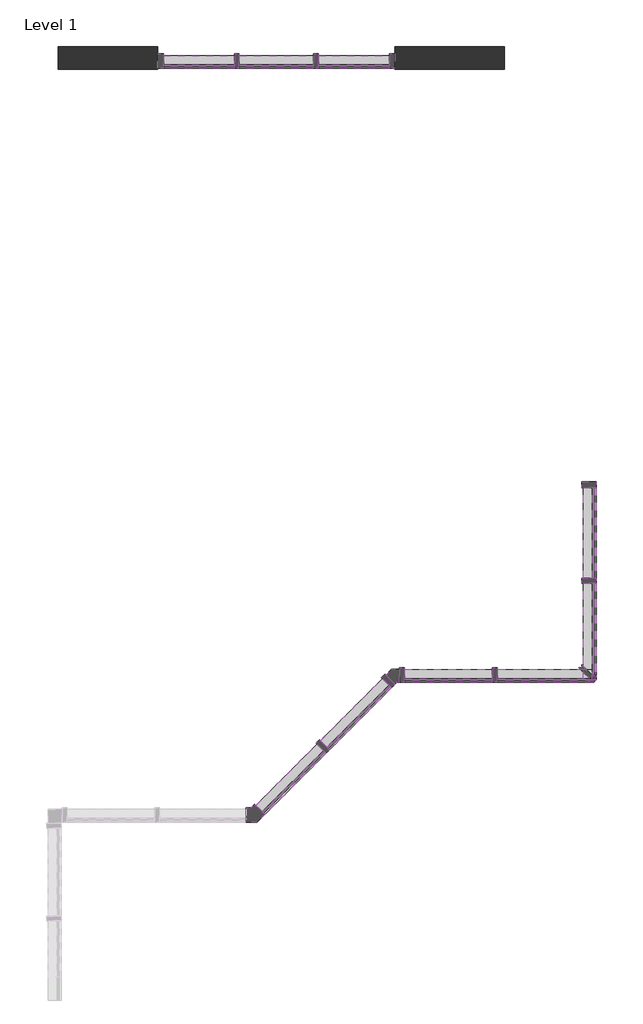
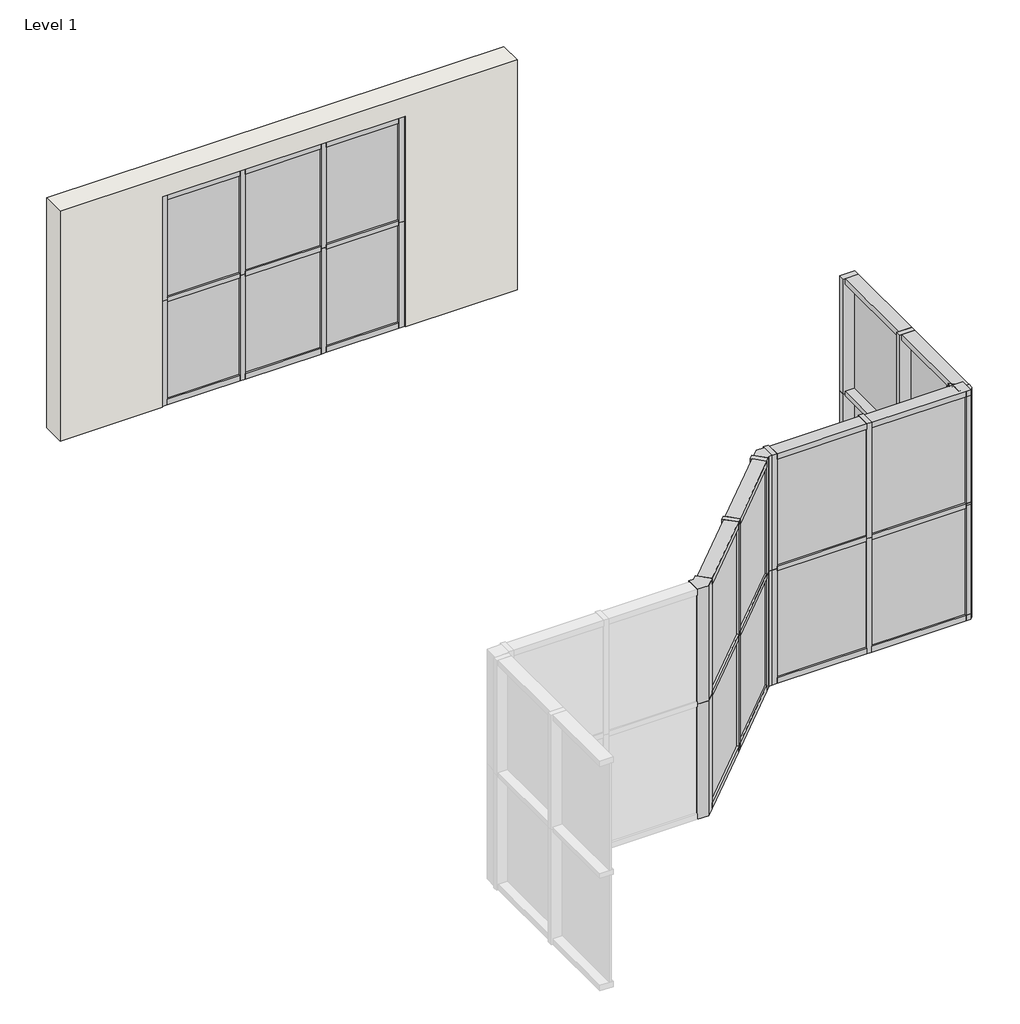
# One storey, part 2 of 2: 53 members, 18 plates, 1 wall.
"""IFC4 building model written with IfcOpenShell, lengths in millimetres."""

import ifcopenshell
import ifcopenshell.guid

model = None  # the IFC model being written
_history = None  # IfcOwnerHistory: only IFC2X3 demands one
_inside = {}  # id of a spatial element -> (the spatial element, [elements in it])
_under = {}  # id of a project, library or spatial element -> (it, [spatial elements below it])
_declared = {}  # id of a project -> (the project, [libraries it declares])
_typed = {}  # id of a type object -> (the type object, [elements of that type])
_made_of = {}  # id of a material, layer set ... -> (it, [elements and type objects made of it])


def new_model(schema):
    """Start an empty IFC model of exactly this schema.

    Asked for "IFC4X3", IfcOpenShell would pick the latest addendum, in which some entities
    have other attributes; the version numbers below select the first issue.
    IFC2X3 requires an IfcOwnerHistory on every rooted entity: one is made here for all.
    """
    global model, _history
    if schema == "IFC4X3":
        model = ifcopenshell.file(schema_version=(4, 3, 0, 0))
    else:
        model = ifcopenshell.file(schema=schema)
    _inside.clear()
    _under.clear()
    _declared.clear()
    _typed.clear()
    _made_of.clear()
    _history = None
    if model.schema == "IFC2X3":
        org = make("IfcOrganization", Name="unknown")
        user = make(
            "IfcPersonAndOrganization",
            ThePerson=make("IfcPerson", FamilyName="unknown"),
            TheOrganization=org,
        )
        app = make(
            "IfcApplication",
            ApplicationDeveloper=org,
            Version="unknown",
            ApplicationFullName="unknown",
            ApplicationIdentifier="unknown",
        )
        _history = make(
            "IfcOwnerHistory",
            OwningUser=user,
            OwningApplication=app,
            ChangeAction="ADDED",
            CreationDate=0,
        )
    return model


def make(cls, **values):
    """One entity of the class cls with the attributes given. An attribute that is None is left unset."""
    return model.create_entity(
        cls, **{name: value for name, value in values.items() if value is not None}
    )


def rooted(cls, **values):
    """An entity with a GlobalId (a new one), such as an element, a storey or a relation."""
    return make(cls, GlobalId=ifcopenshell.guid.new(), OwnerHistory=_history, **values)


def si_unit(unit_type, name, prefix=None):
    """IfcSIUnit, for example si_unit("LENGTHUNIT", "METRE", prefix="MILLI")."""
    return make("IfcSIUnit", UnitType=unit_type, Prefix=prefix, Name=name)


def assignment(units):
    """IfcUnitAssignment: the units of a project."""
    return None if units is None else make("IfcUnitAssignment", Units=units)


def point(xyz):
    """IfcCartesianPoint."""
    return None if xyz is None else make("IfcCartesianPoint", Coordinates=xyz)


def direction(xyz):
    """IfcDirection."""
    return None if xyz is None else make("IfcDirection", DirectionRatios=xyz)


def frame(location, z_axis=None, x_axis=None):
    """IfcAxis2Placement3D, a coordinate frame: its origin and axes. An axis left out is left unset."""
    return make(
        "IfcAxis2Placement3D",
        Location=point(location),
        Axis=direction(z_axis),
        RefDirection=direction(x_axis),
    )


def origin():
    """The frame at (0, 0, 0) with its axes left unset."""
    return frame((0.0, 0.0, 0.0))


def origin_with_axes():
    """The frame at (0, 0, 0) with the z axis (0, 0, 1) and the x axis (1, 0, 0) written out."""
    return frame((0.0, 0.0, 0.0), z_axis=(0.0, 0.0, 1.0), x_axis=(1.0, 0.0, 0.0))


def place(relative_to, where):
    """IfcLocalPlacement: puts the frame where relative to a parent placement (None: the world)."""
    return make(
        "IfcLocalPlacement", PlacementRelTo=relative_to, RelativePlacement=where
    )


def context(
    kind, dimensions, precision=None, world=None, true_north=None, identifier=None
):
    """IfcGeometricRepresentationContext, for example the 3D "Model" context."""
    return make(
        "IfcGeometricRepresentationContext",
        ContextIdentifier=identifier,
        ContextType=kind,
        CoordinateSpaceDimension=dimensions,
        Precision=precision,
        WorldCoordinateSystem=world,
        TrueNorth=true_north,
    )


def project(units=None, contexts=None):
    """IfcProject with its units and contexts."""
    return rooted(
        "IfcProject",
        Name="project",
        RepresentationContexts=contexts,
        UnitsInContext=assignment(units),
    )


def spatial(cls, under=None, at=None, **own):
    """A site, building, storey or space (cls), placed at a placement, below another one or the project."""
    s = rooted(cls, ObjectPlacement=at, **own)
    if under is not None:
        _under.setdefault(under.id(), (under, []))[1].append(s)
    return s


def polyline(points):
    """IfcPolyline through the points."""
    return make("IfcPolyline", Points=[point(p) for p in points])


def outline(outer, holes=None, kind="AREA"):
    """IfcArbitraryClosedProfileDef: a profile drawn as a closed curve; with holes, ...WithVoids."""
    if holes is None:
        return make("IfcArbitraryClosedProfileDef", ProfileType=kind, OuterCurve=outer)
    return make(
        "IfcArbitraryProfileDefWithVoids",
        ProfileType=kind,
        OuterCurve=outer,
        InnerCurves=holes,
    )


def extrude(swept, where, along, depth):
    """IfcExtrudedAreaSolid: the profile swept, set in the frame where, extruded along a direction by depth."""
    return make(
        "IfcExtrudedAreaSolid",
        SweptArea=swept,
        Position=where,
        ExtrudedDirection=direction(along),
        Depth=depth,
    )


def shape(context_of_items, identifier, shape_type, items):
    """IfcShapeRepresentation: the items that make up one representation, for example the "Body"."""
    return make(
        "IfcShapeRepresentation",
        ContextOfItems=context_of_items,
        RepresentationIdentifier=identifier,
        RepresentationType=shape_type,
        Items=items,
    )


def source(mapping_origin, context_of_items, identifier, shape_type, items):
    """IfcRepresentationMap: a shape defined once, which mapped items show again and again."""
    return make(
        "IfcRepresentationMap",
        MappingOrigin=mapping_origin,
        MappedRepresentation=shape(context_of_items, identifier, shape_type, items),
    )


def transform(
    local_origin,
    x_axis=None,
    y_axis=None,
    z_axis=None,
    scale=None,
    scale2=None,
    scale3=None,
    uniform=True,
):
    """IfcCartesianTransformationOperator3D, or its non-uniform kind. x_axis, y_axis, z_axis: its Axis1, 2, 3."""
    if uniform:
        return make(
            "IfcCartesianTransformationOperator3D",
            Axis1=direction(x_axis),
            Axis2=direction(y_axis),
            LocalOrigin=point(local_origin),
            Scale=scale,
            Axis3=direction(z_axis),
        )
    return make(
        "IfcCartesianTransformationOperator3DnonUniform",
        Axis1=direction(x_axis),
        Axis2=direction(y_axis),
        LocalOrigin=point(local_origin),
        Scale=scale,
        Axis3=direction(z_axis),
        Scale2=scale2,
        Scale3=scale3,
    )


def mapped(mapping_source, mapping_target):
    """IfcMappedItem: shows the shape of a source again, moved by a transform."""
    return make(
        "IfcMappedItem", MappingSource=mapping_source, MappingTarget=mapping_target
    )


def made_of(thing, what):
    """Note that an element or type object is made of a material, layer set ...; save() writes the relation."""
    if what is not None:
        _made_of.setdefault(what.id(), (what, []))[1].append(thing)
    return thing


def element(
    cls,
    number,
    at=None,
    inside=None,
    cuts=None,
    type_object=None,
    material=None,
    context=None,
    identifier="Body",
    shape_type=None,
    held_by="IfcProductDefinitionShape",
    body=None,
    shapes=None,
    **own,
):
    """One element of the class cls, such as IfcWall. Its Tag is "e" and its number.

    at: its placement. inside: the storey or other place that contains it. cuts: it is an
    opening in that element (IfcRelVoidsElement). A single representation is given by context,
    identifier, shape_type and body (its items); several are given by shapes. held_by: the class
    of the entity that holds the representations. save() writes the other relations.
    """
    e = rooted(cls, Tag="e%d" % number, ObjectPlacement=at, **own)
    if body is not None:
        shapes = [shape(context, identifier, shape_type, body)]
    if shapes is not None:
        e.Representation = make(held_by, Representations=shapes)
    if inside is not None:
        _inside.setdefault(inside.id(), (inside, []))[1].append(e)
    if cuts is not None:
        rooted(
            "IfcRelVoidsElement", RelatingBuildingElement=cuts, RelatedOpeningElement=e
        )
    if type_object is not None:
        _typed.setdefault(type_object.id(), (type_object, []))[1].append(e)
    return made_of(e, material)


def aggregate(whole, parts):
    """IfcRelAggregates: a whole, such as a stair, and the parts it consists of."""
    return rooted("IfcRelAggregates", RelatingObject=whole, RelatedObjects=parts)


def save(model, path):
    """Write the relations noted so far, then the file.

    IfcRelAggregates (storeys below a building ...), IfcRelContainedInSpatialStructure (elements
    in a storey), IfcRelDefinesByType, IfcRelAssociatesMaterial and IfcRelDeclares: one each for
    every whole, place, type object, material and project.
    """
    for whole, parts in _under.values():
        aggregate(whole, parts)
    for where, things in _inside.values():
        rooted(
            "IfcRelContainedInSpatialStructure",
            RelatedElements=things,
            RelatingStructure=where,
        )
    for kind, things in _typed.values():
        rooted("IfcRelDefinesByType", RelatedObjects=things, RelatingType=kind)
    for what, things in _made_of.values():
        rooted("IfcRelAssociatesMaterial", RelatedObjects=things, RelatingMaterial=what)
    for by, libraries in _declared.values():
        rooted("IfcRelDeclares", RelatingContext=by, RelatedDefinitions=libraries)
    model.write(path)


def l_corner_mullion_76ad8878(model_context):
    return source(origin(), model_context, "Body", "SweptSolid", [
        extrude(outline(polyline([(-20.5138272, -236.5460042), (-75.2910815, -181.76875), (-152.7578173, -181.76875), (-152.7578173, 42.06875), (17.4254468, 42.06875), (137.7631869, -78.2689901), (-20.5138272, -236.5460042)])), frame((0.0, 0.0, -1828.8), z_axis=(0.0, 0.0, 1.0), x_axis=(1.0, 0.0, 0.0)), (0.0, 0.0, 1.0), 1828.8),
    ])


def l_corner_mullion_ffae0b40(model_context):
    return source(origin(), model_context, "Body", "SweptSolid", [
        extrude(outline(polyline([(152.2022208, -68.9365862), (64.770057, -156.36875), (-58.8776949, -156.36875), (-58.8776949, 42.06875), (-17.4254468, 42.06875), (11.8857189, 71.3799157), (152.2022208, -68.9365862)])), frame((0.0, 0.0, -1828.8), z_axis=(0.0, 0.0, 1.0), x_axis=(1.0, 0.0, 0.0)), (0.0, 0.0, 1.0), 1828.8),
    ])


def rectangular_mullion_8a346aed(model_context):
    return source(origin(), model_context, "Body", "SweptSolid", [
        extrude(outline(polyline([(38.1, -156.36875), (-38.1, -156.36875), (-38.1, 42.06875), (38.1, 42.06875), (38.1, -156.36875)])), frame((0.0, 0.0, -1397.0), z_axis=(0.0, 0.0, 1.0), x_axis=(1.0, 0.0, 0.0)), (0.0, 0.0, 1.0), 1397.0),
    ])


def rectangular_mullion_2b2b6ec8(model_context):
    return source(origin(), model_context, "Body", "SweptSolid", [
        extrude(outline(polyline([(38.1, -156.36875), (-38.1, -156.36875), (-38.1, 42.06875), (38.1, 42.06875), (38.1, -156.36875)])), frame((0.0, 0.0, -1485.9), z_axis=(0.0, 0.0, 1.0), x_axis=(1.0, 0.0, 0.0)), (0.0, 0.0, 1.0), 1485.9),
    ])


def rectangular_mullion_0ce480cb(model_context):
    return source(origin(), model_context, "Body", "SweptSolid", [
        extrude(outline(polyline([(-181.7231891, -226.6700306), (-181.7231891, -181.76875), (-226.6244697, -181.76875), (-67.1770177, -22.321298), (-67.1770177, 42.06875), (0.0477808, 42.06875), (42.1143109, 0.0022199), (42.1143109, -67.2225786), (-22.2757371, -67.2225786), (-181.7231891, -226.6700306)])), frame((0.0, 0.0, -1828.8), z_axis=(0.0, 0.0, 1.0), x_axis=(1.0, 0.0, 0.0)), (0.0, 0.0, 1.0), 1828.8),
    ])


def rectangular_mullion_1302332b(model_context):
    return source(origin(), model_context, "Body", "SweptSolid", [
        extrude(outline(polyline([(38.1, -156.36875), (-38.1, -156.36875), (-38.1, 42.06875), (38.1, 42.06875), (38.1, -156.36875)])), frame((0.0, 0.0, -1092.2), z_axis=(0.0, 0.0, 1.0), x_axis=(1.0, 0.0, 0.0)), (0.0, 0.0, 1.0), 1092.2),
    ])


def rectangular_mullion_b4a44adb(model_context):
    return source(origin(), model_context, "Body", "SweptSolid", [
        extrude(outline(polyline([(38.1, -156.36875), (-38.1, -156.36875), (-38.1, 42.06875), (38.1, 42.06875), (38.1, -156.36875)])), frame((0.0, 0.0, -1143.0), z_axis=(0.0, 0.0, 1.0), x_axis=(1.0, 0.0, 0.0)), (0.0, 0.0, 1.0), 1143.0),
    ])


def rectangular_mullion_5b8fcb73(model_context):
    return source(origin(), model_context, "Body", "SweptSolid", [
        extrude(outline(polyline([(38.1, -181.76875), (-38.1, -181.76875), (-38.1, 42.06875), (38.1, 42.06875), (38.1, -181.76875)])), frame((0.0, 0.0, -1828.8), z_axis=(0.0, 0.0, 1.0), x_axis=(1.0, 0.0, 0.0)), (0.0, 0.0, 1.0), 1828.8),
    ])


def rectangular_mullion_a8d4958f(model_context):
    return source(origin(), model_context, "Body", "SweptSolid", [
        extrude(outline(polyline([(-88.9, 42.06875), (0.0, 42.06875), (0.0, -181.76875), (-88.9, -181.76875), (-88.9, 42.06875)])), frame((0.0, 0.0, -1828.8), z_axis=(0.0, 0.0, 1.0), x_axis=(1.0, 0.0, 0.0)), (0.0, 0.0, 1.0), 1828.8),
    ])


def rectangular_mullion_17fca7c4(model_context):
    return source(origin(), model_context, "Body", "SweptSolid", [
        extrude(outline(polyline([(-88.9, 42.06875), (0.0, 42.06875), (0.0, -156.36875), (-88.9, -156.36875), (-88.9, 42.06875)])), frame((0.0, 0.0, -1092.2), z_axis=(0.0, 0.0, 1.0), x_axis=(1.0, 0.0, 0.0)), (0.0, 0.0, 1.0), 1092.2),
    ])


def rectangular_mullion_d567f1b5(model_context):
    return source(origin(), model_context, "Body", "SweptSolid", [
        extrude(outline(polyline([(-88.9, 42.06875), (0.0, 42.06875), (0.0, -156.36875), (-88.9, -156.36875), (-88.9, 42.06875)])), frame((0.0, 0.0, -1143.0), z_axis=(0.0, 0.0, 1.0), x_axis=(1.0, 0.0, 0.0)), (0.0, 0.0, 1.0), 1143.0),
    ])


def rectangular_mullion_3bba7b64(model_context):
    return source(origin(), model_context, "Body", "SweptSolid", [
        extrude(outline(polyline([(-88.9, 42.06875), (0.0, 42.06875), (0.0, -156.36875), (-88.9, -156.36875), (-88.9, 42.06875)])), frame((0.0, 0.0, -1397.0), z_axis=(0.0, 0.0, 1.0), x_axis=(1.0, 0.0, 0.0)), (0.0, 0.0, 1.0), 1397.0),
    ])


def rectangular_mullion_ffde38fe(model_context):
    return source(origin(), model_context, "Body", "SweptSolid", [
        extrude(outline(polyline([(-88.9, 42.06875), (0.0, 42.06875), (0.0, -156.36875), (-88.9, -156.36875), (-88.9, 42.06875)])), frame((0.0, 0.0, -1485.9), z_axis=(0.0, 0.0, 1.0), x_axis=(1.0, 0.0, 0.0)), (0.0, 0.0, 1.0), 1485.9),
    ])


def rectangular_mullion_f488d039(model_context):
    return source(origin(), model_context, "Body", "SweptSolid", [
        extrude(outline(polyline([(-88.9, 42.06875), (0.0, 42.06875), (0.0, -156.36875), (-88.9, -156.36875), (-88.9, 42.06875)])), frame((0.0, 0.0, -1350.8223051), z_axis=(0.0, 0.0, 1.0), x_axis=(1.0, 0.0, 0.0)), (0.0, 0.0, 1.0), 1350.8223051),
    ])


def rectangular_mullion_23492a29(model_context):
    return source(origin(), model_context, "Body", "SweptSolid", [
        extrude(outline(polyline([(38.1, -156.36875), (-38.1, -156.36875), (-38.1, 42.06875), (38.1, 42.06875), (38.1, -156.36875)])), frame((0.0, 0.0, -1350.8223051), z_axis=(0.0, 0.0, 1.0), x_axis=(1.0, 0.0, 0.0)), (0.0, 0.0, 1.0), 1350.8223051),
    ])


def rectangular_mullion_fb94ec89(model_context):
    return source(origin(), model_context, "Body", "SweptSolid", [
        extrude(outline(polyline([(38.1, -156.36875), (-38.1, -156.36875), (-38.1, 42.06875), (38.1, 42.06875), (38.1, -156.36875)])), frame((0.0, 0.0, -1333.1421827), z_axis=(0.0, 0.0, 1.0), x_axis=(1.0, 0.0, 0.0)), (0.0, 0.0, 1.0), 1333.1421827),
    ])


def rectangular_mullion_5a43b4a1(model_context):
    return source(origin(), model_context, "Body", "SweptSolid", [
        extrude(outline(polyline([(-88.9, 42.06875), (0.0, 42.06875), (0.0, -156.36875), (-88.9, -156.36875), (-88.9, 42.06875)])), frame((0.0, 0.0, -1333.1421827), z_axis=(0.0, 0.0, 1.0), x_axis=(1.0, 0.0, 0.0)), (0.0, 0.0, 1.0), 1333.1421827),
    ])


def rectangular_mullion_b16124d5(model_context):
    return source(origin(), model_context, "Body", "SweptSolid", [
        extrude(outline(polyline([(38.1, -181.76875), (-38.1, -181.76875), (-38.1, 42.06875), (38.1, 42.06875), (38.1, -181.76875)])), frame((0.0, 0.0, -1676.4), z_axis=(0.0, 0.0, 1.0), x_axis=(1.0, 0.0, 0.0)), (0.0, 0.0, 1.0), 1676.4),
    ])


def rectangular_mullion_8102508c(model_context):
    return source(origin(), model_context, "Body", "SweptSolid", [
        extrude(outline(polyline([(-88.9, 42.06875), (0.0, 42.06875), (0.0, -181.76875), (-88.9, -181.76875), (-88.9, 42.06875)])), frame((0.0, 0.0, -1676.4), z_axis=(0.0, 0.0, 1.0), x_axis=(1.0, 0.0, 0.0)), (0.0, 0.0, 1.0), 1676.4),
    ])


def plate_85b4c927(model_context):
    return source(origin(), model_context, "Body", "SweptSolid", [
        extrude(outline(polyline([(742.95, -16.66875), (-742.95, -16.66875), (-742.95, 16.66875), (742.95, 16.66875), (742.95, -16.66875)])), origin_with_axes(), (0.0, 0.0, 1.0), 1701.8),
    ])


def plate_3acf9453(model_context):
    return source(origin(), model_context, "Body", "SweptSolid", [
        extrude(outline(polyline([(666.5710913, -16.66875), (-666.5710913, -16.66875), (-666.5710913, 16.66875), (666.5710913, 16.66875), (666.5710913, -16.66875)])), origin_with_axes(), (0.0, 0.0, 1.0), 1701.8),
    ])


def plate_eb58d561(model_context):
    return source(origin(), model_context, "Body", "SweptSolid", [
        extrude(outline(polyline([(698.5, -16.66875), (-698.5, -16.66875), (-698.5, 16.66875), (698.5, 16.66875), (698.5, -16.66875)])), origin_with_axes(), (0.0, 0.0, 1.0), 1701.8),
    ])


def plate_c3e471da(model_context):
    return source(origin(), model_context, "Body", "SweptSolid", [
        extrude(outline(polyline([(675.4111525, -16.66875), (-675.4111525, -16.66875), (-675.4111525, 16.66875), (675.4111525, 16.66875), (675.4111525, -16.66875)])), origin_with_axes(), (0.0, 0.0, 1.0), 1701.8),
    ])


def plate_411d9f66(model_context):
    return source(origin(), model_context, "Body", "SweptSolid", [
        extrude(outline(polyline([(546.1, -16.66875), (-546.1, -16.66875), (-546.1, 16.66875), (546.1, 16.66875), (546.1, -16.66875)])), origin_with_axes(), (0.0, 0.0, 1.0), 1549.4),
    ])


def plate_bd91b97d(model_context):
    return source(origin(), model_context, "Body", "SweptSolid", [
        extrude(outline(polyline([(571.5, -16.66875), (-571.5, -16.66875), (-571.5, 16.66875), (571.5, 16.66875), (571.5, -16.66875)])), origin_with_axes(), (0.0, 0.0, 1.0), 1549.4),
    ])


model = new_model("IFC4")

# Units and contexts
model_context = context("Model", 3, world=origin())
ifc_project = project(units=[si_unit("LENGTHUNIT", "METRE", prefix="MILLI")], contexts=[model_context])

# Site, building, storey
site = spatial("IfcSite", under=ifc_project)
building = spatial("IfcBuilding", under=site)
storey = spatial("IfcBuildingStorey", under=building, Name="Level 1", Elevation=0.0)

# Members
placement = place(None, origin())
l_corner_mullion_shape = l_corner_mullion_76ad8878(model_context)
element("IfcMember", 1, ObjectType="L Corner Mullion", at=placement, inside=storey, context=model_context, shape_type="MappedRepresentation", body=[
    mapped(l_corner_mullion_shape, transform((-900.3537941, 1911.4594174, 0.0), x_axis=(1.0, 0.0, 0.0), y_axis=(0.0, -1.0, 0.0), z_axis=(0.0, 0.0, -1.0))),
])
element("IfcMember", 2, ObjectType="L Corner Mullion", at=placement, inside=storey, context=model_context, shape_type="MappedRepresentation", body=[
    mapped(l_corner_mullion_shape, transform((-900.3537941, 1911.4594174, 1828.8), x_axis=(1.0, 0.0, 0.0), y_axis=(0.0, -1.0, 0.0), z_axis=(0.0, 0.0, -1.0))),
])
l_corner_mullion_2_shape = l_corner_mullion_ffae0b40(model_context)
element("IfcMember", 3, ObjectType="L Corner Mullion", at=placement, inside=storey, context=model_context, shape_type="MappedRepresentation", body=[
    mapped(l_corner_mullion_2_shape, transform((1254.907675, 4066.7208865, 0.0), x_axis=(0.7071067811865482, 0.7071067811865468, 0.0), y_axis=(0.7071067811865468, -0.7071067811865482, 0.0), z_axis=(0.0, 0.0, -1.0))),
])
element("IfcMember", 4, ObjectType="L Corner Mullion", at=placement, inside=storey, context=model_context, shape_type="MappedRepresentation", body=[
    mapped(l_corner_mullion_2_shape, transform((1254.907675, 4066.7208865, 1828.8), x_axis=(0.7071067811865482, 0.7071067811865468, 0.0), y_axis=(0.7071067811865468, -0.7071067811865482, 0.0), z_axis=(0.0, 0.0, -1.0))),
])
rectangular_mullion_shape = rectangular_mullion_8a346aed(model_context)
element("IfcMember", 5, ObjectType="Rectangular Mullion", at=placement, inside=storey, context=model_context, shape_type="MappedRepresentation", body=[
    mapped(rectangular_mullion_shape, transform((4302.907675, 7025.8208865, 1828.8), x_axis=(0.0, 0.0, 1.0), y_axis=(1.0, 0.0, 0.0), z_axis=(0.0, 1.0, 0.0))),
])
rectangular_mullion_2_shape = rectangular_mullion_2b2b6ec8(model_context)
element("IfcMember", 6, ObjectType="Rectangular Mullion", at=placement, inside=storey, context=model_context, shape_type="MappedRepresentation", body=[
    mapped(rectangular_mullion_2_shape, transform((4302.907675, 5552.6208865, 1828.8), x_axis=(0.0, 0.0, 1.0), y_axis=(1.0, 0.0, 0.0), z_axis=(0.0, 1.0, 0.0))),
])
element("IfcMember", 7, ObjectType="Rectangular Mullion", at=placement, inside=storey, context=model_context, shape_type="MappedRepresentation", body=[
    mapped(rectangular_mullion_2_shape, transform((4302.907675, 4066.7208865, 1828.8), x_axis=(0.0, 0.0, 1.0), y_axis=(0.0, -1.0, 0.0), z_axis=(1.0, 0.0, 0.0))),
])
rectangular_mullion_3_shape = rectangular_mullion_0ce480cb(model_context)
element("IfcMember", 8, ObjectType="Rectangular Mullion", at=placement, inside=storey, context=model_context, shape_type="MappedRepresentation", body=[
    mapped(rectangular_mullion_3_shape, transform((4302.907675, 4066.7208865, 1828.8), x_axis=(1.0, 0.0, 0.0), y_axis=(0.0, -1.0, 0.0), z_axis=(0.0, 0.0, -1.0))),
])
element("IfcMember", 9, ObjectType="Rectangular Mullion", at=placement, inside=storey, context=model_context, shape_type="MappedRepresentation", body=[
    mapped(rectangular_mullion_3_shape, transform((4302.907675, 4066.7208865, 0.0), x_axis=(1.0, 0.0, 0.0), y_axis=(0.0, -1.0, 0.0), z_axis=(0.0, 0.0, -1.0))),
])
rectangular_mullion_4_shape = rectangular_mullion_1302332b(model_context)
element("IfcMember", 10, ObjectType="Rectangular Mullion", at=placement, inside=storey, context=model_context, shape_type="MappedRepresentation", body=[
    mapped(rectangular_mullion_4_shape, transform((-1234.1301509, 13523.3358555, 1676.4), x_axis=(0.0, 0.0, 1.0), y_axis=(0.0, -1.0, 0.0), z_axis=(1.0, 0.0, 0.0))),
])
element("IfcMember", 11, ObjectType="Rectangular Mullion", at=placement, inside=storey, context=model_context, shape_type="MappedRepresentation", body=[
    mapped(rectangular_mullion_4_shape, transform((1153.4698491, 13523.3358555, 1676.4), x_axis=(0.0, 0.0, 1.0), y_axis=(0.0, -1.0, 0.0), z_axis=(1.0, 0.0, 0.0))),
])
rectangular_mullion_5_shape = rectangular_mullion_b4a44adb(model_context)
element("IfcMember", 12, ObjectType="Rectangular Mullion", at=placement, inside=storey, context=model_context, shape_type="MappedRepresentation", body=[
    mapped(rectangular_mullion_5_shape, transform((-14.9301509, 13523.3358555, 1676.4), x_axis=(0.0, 0.0, 1.0), y_axis=(0.0, -1.0, 0.0), z_axis=(1.0, 0.0, 0.0))),
])
rectangular_mullion_6_shape = rectangular_mullion_5b8fcb73(model_context)
element("IfcMember", 13, ObjectType="Rectangular Mullion", at=placement, inside=storey, context=model_context, shape_type="MappedRepresentation", body=[
    mapped(rectangular_mullion_6_shape, transform((177.2769404, 2989.0901519, 0.0), x_axis=(0.7071067811865482, 0.7071067811865468, 0.0), y_axis=(0.7071067811865468, -0.7071067811865482, 0.0), z_axis=(0.0, 0.0, -1.0))),
])
element("IfcMember", 14, ObjectType="Rectangular Mullion", at=placement, inside=storey, context=model_context, shape_type="MappedRepresentation", body=[
    mapped(rectangular_mullion_6_shape, transform((2778.907675, 4066.7208865, 0.0), x_axis=(1.0, 0.0, 0.0), y_axis=(0.0, -1.0, 0.0), z_axis=(0.0, 0.0, -1.0))),
])
element("IfcMember", 15, ObjectType="Rectangular Mullion", at=placement, inside=storey, context=model_context, shape_type="MappedRepresentation", body=[
    mapped(rectangular_mullion_6_shape, transform((4302.907675, 5590.7208865, 0.0), x_axis=(0.0, 1.0, 0.0), y_axis=(1.0, 0.0, 0.0), z_axis=(0.0, 0.0, -1.0))),
])
element("IfcMember", 16, ObjectType="Rectangular Mullion", at=placement, inside=storey, context=model_context, shape_type="MappedRepresentation", body=[
    mapped(rectangular_mullion_6_shape, transform((1351.8853699, 4066.7208865, 0.0), x_axis=(1.0, 0.0, 0.0), y_axis=(0.0, -1.0, 0.0), z_axis=(0.0, 0.0, -1.0))),
])
element("IfcMember", 17, ObjectType="Rectangular Mullion", at=placement, inside=storey, context=model_context, shape_type="MappedRepresentation", body=[
    mapped(rectangular_mullion_6_shape, transform((1186.3340893, 3998.1473008, 0.0), x_axis=(0.7071067811865482, 0.7071067811865468, 0.0), y_axis=(0.7071067811865468, -0.7071067811865482, 0.0), z_axis=(0.0, 0.0, -1.0))),
])
element("IfcMember", 18, ObjectType="Rectangular Mullion", at=placement, inside=storey, context=model_context, shape_type="MappedRepresentation", body=[
    mapped(rectangular_mullion_6_shape, transform((177.2769404, 2989.0901519, 1828.8), x_axis=(0.7071067811865482, 0.7071067811865468, 0.0), y_axis=(0.7071067811865468, -0.7071067811865482, 0.0), z_axis=(0.0, 0.0, -1.0))),
])
element("IfcMember", 19, ObjectType="Rectangular Mullion", at=placement, inside=storey, context=model_context, shape_type="MappedRepresentation", body=[
    mapped(rectangular_mullion_6_shape, transform((2778.907675, 4066.7208865, 1828.8), x_axis=(1.0, 0.0, 0.0), y_axis=(0.0, -1.0, 0.0), z_axis=(0.0, 0.0, -1.0))),
])
element("IfcMember", 20, ObjectType="Rectangular Mullion", at=placement, inside=storey, context=model_context, shape_type="MappedRepresentation", body=[
    mapped(rectangular_mullion_6_shape, transform((4302.907675, 5590.7208865, 1828.8), x_axis=(0.0, 1.0, 0.0), y_axis=(1.0, 0.0, 0.0), z_axis=(0.0, 0.0, -1.0))),
])
element("IfcMember", 21, ObjectType="Rectangular Mullion", at=placement, inside=storey, context=model_context, shape_type="MappedRepresentation", body=[
    mapped(rectangular_mullion_6_shape, transform((1351.8853699, 4066.7208865, 1828.8), x_axis=(1.0, 0.0, 0.0), y_axis=(0.0, -1.0, 0.0), z_axis=(0.0, 0.0, -1.0))),
])
element("IfcMember", 22, ObjectType="Rectangular Mullion", at=placement, inside=storey, context=model_context, shape_type="MappedRepresentation", body=[
    mapped(rectangular_mullion_6_shape, transform((1186.3340893, 3998.1473008, 1828.8), x_axis=(0.7071067811865482, 0.7071067811865468, 0.0), y_axis=(0.7071067811865468, -0.7071067811865482, 0.0), z_axis=(0.0, 0.0, -1.0))),
])
rectangular_mullion_7_shape = rectangular_mullion_a8d4958f(model_context)
element("IfcMember", 23, ObjectType="Rectangular Mullion", at=placement, inside=storey, context=model_context, shape_type="MappedRepresentation", body=[
    mapped(rectangular_mullion_7_shape, transform((4302.907675, 7114.7208865, 0.0), x_axis=(0.0, 1.0, 0.0), y_axis=(1.0, 0.0, 0.0), z_axis=(0.0, 0.0, -1.0))),
])
element("IfcMember", 24, ObjectType="Rectangular Mullion", at=placement, inside=storey, context=model_context, shape_type="MappedRepresentation", body=[
    mapped(rectangular_mullion_7_shape, transform((4302.907675, 7114.7208865, 1828.8), x_axis=(0.0, 1.0, 0.0), y_axis=(1.0, 0.0, 0.0), z_axis=(0.0, 0.0, -1.0))),
])
rectangular_mullion_8_shape = rectangular_mullion_17fca7c4(model_context)
element("IfcMember", 25, ObjectType="Rectangular Mullion", at=placement, inside=storey, context=model_context, shape_type="MappedRepresentation", body=[
    mapped(rectangular_mullion_8_shape, transform((1153.4698491, 13523.3358555, 3352.8), x_axis=(0.0, 0.0, 1.0), y_axis=(0.0, -1.0, 0.0), z_axis=(1.0, 0.0, 0.0))),
])
element("IfcMember", 26, ObjectType="Rectangular Mullion", at=placement, inside=storey, context=model_context, shape_type="MappedRepresentation", body=[
    mapped(rectangular_mullion_8_shape, transform((-1234.1301509, 13523.3358555, 3352.8), x_axis=(0.0, 0.0, 1.0), y_axis=(0.0, -1.0, 0.0), z_axis=(1.0, 0.0, 0.0))),
])
rectangular_mullion_9_shape = rectangular_mullion_d567f1b5(model_context)
element("IfcMember", 27, ObjectType="Rectangular Mullion", at=placement, inside=storey, context=model_context, shape_type="MappedRepresentation", body=[
    mapped(rectangular_mullion_9_shape, transform((-14.9301509, 13523.3358555, 3352.8), x_axis=(0.0, 0.0, 1.0), y_axis=(0.0, -1.0, 0.0), z_axis=(1.0, 0.0, 0.0))),
])
element("IfcMember", 28, ObjectType="Rectangular Mullion", at=placement, inside=storey, context=model_context, shape_type="MappedRepresentation", body=[
    mapped(rectangular_mullion_8_shape, transform((-2326.3301509, 13523.3358555, 0.0), x_axis=(0.0, 0.0, -1.0), y_axis=(0.0, -1.0, 0.0), z_axis=(-1.0, 0.0, 0.0))),
])
element("IfcMember", 29, ObjectType="Rectangular Mullion", at=placement, inside=storey, context=model_context, shape_type="MappedRepresentation", body=[
    mapped(rectangular_mullion_8_shape, transform((61.2698491, 13523.3358555, 0.0), x_axis=(0.0, 0.0, -1.0), y_axis=(0.0, -1.0, 0.0), z_axis=(-1.0, 0.0, 0.0))),
])
element("IfcMember", 30, ObjectType="Rectangular Mullion", at=placement, inside=storey, context=model_context, shape_type="MappedRepresentation", body=[
    mapped(rectangular_mullion_9_shape, transform((-1157.9301509, 13523.3358555, 0.0), x_axis=(0.0, 0.0, -1.0), y_axis=(0.0, -1.0, 0.0), z_axis=(-1.0, 0.0, 0.0))),
])
rectangular_mullion_10_shape = rectangular_mullion_3bba7b64(model_context)
element("IfcMember", 31, ObjectType="Rectangular Mullion", at=placement, inside=storey, context=model_context, shape_type="MappedRepresentation", body=[
    mapped(rectangular_mullion_10_shape, transform((4302.907675, 7025.8208865, 3657.6), x_axis=(0.0, 0.0, 1.0), y_axis=(1.0, 0.0, 0.0), z_axis=(0.0, 1.0, 0.0))),
])
element("IfcMember", 32, ObjectType="Rectangular Mullion", at=placement, inside=storey, context=model_context, shape_type="MappedRepresentation", body=[
    mapped(rectangular_mullion_10_shape, transform((4302.907675, 5628.8208865, 0.0), x_axis=(0.0, 0.0, -1.0), y_axis=(1.0, 0.0, 0.0), z_axis=(0.0, -1.0, 0.0))),
])
rectangular_mullion_11_shape = rectangular_mullion_ffde38fe(model_context)
element("IfcMember", 33, ObjectType="Rectangular Mullion", at=placement, inside=storey, context=model_context, shape_type="MappedRepresentation", body=[
    mapped(rectangular_mullion_11_shape, transform((4302.907675, 4066.7208865, 3657.6), x_axis=(0.0, 0.0, 1.0), y_axis=(0.0, -1.0, 0.0), z_axis=(1.0, 0.0, 0.0))),
])
element("IfcMember", 34, ObjectType="Rectangular Mullion", at=placement, inside=storey, context=model_context, shape_type="MappedRepresentation", body=[
    mapped(rectangular_mullion_11_shape, transform((2817.007675, 4066.7208865, 0.0), x_axis=(0.0, 0.0, -1.0), y_axis=(0.0, -1.0, 0.0), z_axis=(-1.0, 0.0, 0.0))),
])
element("IfcMember", 35, ObjectType="Rectangular Mullion", at=placement, inside=storey, context=model_context, shape_type="MappedRepresentation", body=[
    mapped(rectangular_mullion_11_shape, transform((4302.907675, 5552.6208865, 3657.6), x_axis=(0.0, 0.0, 1.0), y_axis=(1.0, 0.0, 0.0), z_axis=(0.0, 1.0, 0.0))),
])
element("IfcMember", 36, ObjectType="Rectangular Mullion", at=placement, inside=storey, context=model_context, shape_type="MappedRepresentation", body=[
    mapped(rectangular_mullion_11_shape, transform((4302.907675, 4066.7208865, 0.0), x_axis=(0.0, 0.0, -1.0), y_axis=(1.0, 0.0, 0.0), z_axis=(0.0, -1.0, 0.0))),
])
rectangular_mullion_12_shape = rectangular_mullion_f488d039(model_context)
element("IfcMember", 37, ObjectType="Rectangular Mullion", at=placement, inside=storey, context=model_context, shape_type="MappedRepresentation", body=[
    mapped(rectangular_mullion_12_shape, transform((2740.807675, 4066.7208865, 3657.6), x_axis=(0.0, 0.0, 1.0), y_axis=(0.0, -1.0, 0.0), z_axis=(1.0, 0.0, 0.0))),
])
element("IfcMember", 38, ObjectType="Rectangular Mullion", at=placement, inside=storey, context=model_context, shape_type="MappedRepresentation", body=[
    mapped(rectangular_mullion_12_shape, transform((1159.3933209, 3971.2065324, 3657.6), x_axis=(0.0, 0.0, 1.0), y_axis=(0.7071067811865469, -0.7071067811865482, 0.0), z_axis=(0.7071067811865482, 0.7071067811865469, 0.0))),
])
element("IfcMember", 39, ObjectType="Rectangular Mullion", at=placement, inside=storey, context=model_context, shape_type="MappedRepresentation", body=[
    mapped(rectangular_mullion_12_shape, transform((204.2177088, 3016.0309203, 0.0), x_axis=(0.0, 0.0, -1.0), y_axis=(0.707106781186547, -0.7071067811865482, 0.0), z_axis=(-0.7071067811865482, -0.707106781186547, 0.0))),
])
element("IfcMember", 40, ObjectType="Rectangular Mullion", at=placement, inside=storey, context=model_context, shape_type="MappedRepresentation", body=[
    mapped(rectangular_mullion_12_shape, transform((1389.9853699, 4066.7208865, 0.0), x_axis=(0.0, 0.0, -1.0), y_axis=(0.0, -1.0, 0.0), z_axis=(-1.0, 0.0, 0.0))),
])
rectangular_mullion_13_shape = rectangular_mullion_23492a29(model_context)
element("IfcMember", 41, ObjectType="Rectangular Mullion", at=placement, inside=storey, context=model_context, shape_type="MappedRepresentation", body=[
    mapped(rectangular_mullion_13_shape, transform((1159.3933209, 3971.2065324, 1828.8), x_axis=(0.0, 0.0, 1.0), y_axis=(0.7071067811865469, -0.7071067811865482, 0.0), z_axis=(0.7071067811865482, 0.7071067811865469, 0.0))),
])
element("IfcMember", 42, ObjectType="Rectangular Mullion", at=placement, inside=storey, context=model_context, shape_type="MappedRepresentation", body=[
    mapped(rectangular_mullion_13_shape, transform((2740.807675, 4066.7208865, 1828.8), x_axis=(0.0, 0.0, 1.0), y_axis=(0.0, -1.0, 0.0), z_axis=(1.0, 0.0, 0.0))),
])
rectangular_mullion_14_shape = rectangular_mullion_fb94ec89(model_context)
element("IfcMember", 43, ObjectType="Rectangular Mullion", at=placement, inside=storey, context=model_context, shape_type="MappedRepresentation", body=[
    mapped(rectangular_mullion_14_shape, transform((150.3361721, 2962.1493836, 1828.8), x_axis=(0.0, 0.0, 1.0), y_axis=(0.7071067811865468, -0.7071067811865482, 0.0), z_axis=(0.7071067811865482, 0.7071067811865468, 0.0))),
])
rectangular_mullion_15_shape = rectangular_mullion_5a43b4a1(model_context)
element("IfcMember", 44, ObjectType="Rectangular Mullion", at=placement, inside=storey, context=model_context, shape_type="MappedRepresentation", body=[
    mapped(rectangular_mullion_15_shape, transform((150.3361721, 2962.1493836, 3657.6), x_axis=(0.0, 0.0, 1.0), y_axis=(0.7071067811865468, -0.7071067811865482, 0.0), z_axis=(0.7071067811865482, 0.7071067811865468, 0.0))),
])
element("IfcMember", 45, ObjectType="Rectangular Mullion", at=placement, inside=storey, context=model_context, shape_type="MappedRepresentation", body=[
    mapped(rectangular_mullion_15_shape, transform((-792.3377056, 2019.4755059, 0.0), x_axis=(0.0, 0.0, -1.0), y_axis=(0.7071067811865468, -0.7071067811865483, 0.0), z_axis=(-0.7071067811865482, -0.7071067811865467, 0.0))),
])
rectangular_mullion_16_shape = rectangular_mullion_b16124d5(model_context)
element("IfcMember", 46, ObjectType="Rectangular Mullion", at=placement, inside=storey, context=model_context, shape_type="MappedRepresentation", body=[
    mapped(rectangular_mullion_16_shape, transform((23.1698491, 13523.3358555, 0.0), x_axis=(1.0, 0.0, 0.0), y_axis=(0.0, -1.0, 0.0), z_axis=(0.0, 0.0, -1.0))),
])
element("IfcMember", 47, ObjectType="Rectangular Mullion", at=placement, inside=storey, context=model_context, shape_type="MappedRepresentation", body=[
    mapped(rectangular_mullion_16_shape, transform((-1196.0301509, 13523.3358555, 0.0), x_axis=(1.0, 0.0, 0.0), y_axis=(0.0, -1.0, 0.0), z_axis=(0.0, 0.0, -1.0))),
])
rectangular_mullion_17_shape = rectangular_mullion_8102508c(model_context)
element("IfcMember", 48, ObjectType="Rectangular Mullion", at=placement, inside=storey, context=model_context, shape_type="MappedRepresentation", body=[
    mapped(rectangular_mullion_17_shape, transform((1242.3698491, 13523.3358555, 0.0), x_axis=(1.0, 0.0, 0.0), y_axis=(0.0, -1.0, 0.0), z_axis=(0.0, 0.0, -1.0))),
])
element("IfcMember", 49, ObjectType="Rectangular Mullion", at=placement, inside=storey, context=model_context, shape_type="MappedRepresentation", body=[
    mapped(rectangular_mullion_17_shape, transform((-2415.2301509, 13523.3358555, 1676.4), x_axis=(-1.0, 0.0, 0.0), y_axis=(0.0, -1.0, 0.0), z_axis=(0.0, 0.0, 1.0))),
])
element("IfcMember", 50, ObjectType="Rectangular Mullion", at=placement, inside=storey, context=model_context, shape_type="MappedRepresentation", body=[
    mapped(rectangular_mullion_16_shape, transform((23.1698491, 13523.3358555, 1676.4), x_axis=(1.0, 0.0, 0.0), y_axis=(0.0, -1.0, 0.0), z_axis=(0.0, 0.0, -1.0))),
])
element("IfcMember", 51, ObjectType="Rectangular Mullion", at=placement, inside=storey, context=model_context, shape_type="MappedRepresentation", body=[
    mapped(rectangular_mullion_16_shape, transform((-1196.0301509, 13523.3358555, 1676.4), x_axis=(1.0, 0.0, 0.0), y_axis=(0.0, -1.0, 0.0), z_axis=(0.0, 0.0, -1.0))),
])
element("IfcMember", 52, ObjectType="Rectangular Mullion", at=placement, inside=storey, context=model_context, shape_type="MappedRepresentation", body=[
    mapped(rectangular_mullion_17_shape, transform((-2415.2301509, 13523.3358555, 3352.8), x_axis=(-1.0, 0.0, 0.0), y_axis=(0.0, -1.0, 0.0), z_axis=(0.0, 0.0, 1.0))),
])
element("IfcMember", 53, ObjectType="Rectangular Mullion", at=placement, inside=storey, context=model_context, shape_type="MappedRepresentation", body=[
    mapped(rectangular_mullion_17_shape, transform((1242.3698491, 13523.3358555, 1676.4), x_axis=(1.0, 0.0, 0.0), y_axis=(0.0, -1.0, 0.0), z_axis=(0.0, 0.0, -1.0))),
])

# Plates
plate_shape = plate_85b4c927(model_context)
element("IfcPlate", 54, ObjectType="System Panel : 1 5/16\" Glass", at=placement, inside=storey, context=model_context, shape_type="MappedRepresentation", body=[
    mapped(plate_shape, transform((3559.957675, 4066.7208865, 88.9), x_axis=(1.0, 0.0, 0.0), y_axis=(0.0, 1.0, 0.0), z_axis=(0.0, 0.0, 1.0))),
])
element("IfcPlate", 55, ObjectType="System Panel : 1 5/16\" Glass", at=placement, inside=storey, context=model_context, shape_type="MappedRepresentation", body=[
    mapped(plate_shape, transform((3559.957675, 4066.7208865, 1866.9), x_axis=(1.0, 0.0, 0.0), y_axis=(0.0, 1.0, 0.0), z_axis=(0.0, 0.0, 1.0))),
])
element("IfcPlate", 56, ObjectType="System Panel : 1 5/16\" Glass", at=placement, inside=storey, context=model_context, shape_type="MappedRepresentation", body=[
    mapped(plate_shape, transform((4302.907675, 4809.6708865, 88.9), x_axis=(0.0, 1.0, 0.0), y_axis=(-1.0, 0.0, 0.0), z_axis=(0.0, 0.0, 1.0))),
])
element("IfcPlate", 57, ObjectType="System Panel : 1 5/16\" Glass", at=placement, inside=storey, context=model_context, shape_type="MappedRepresentation", body=[
    mapped(plate_shape, transform((4302.907675, 4809.6708865, 1866.9), x_axis=(0.0, 1.0, 0.0), y_axis=(-1.0, 0.0, 0.0), z_axis=(0.0, 0.0, 1.0))),
])
plate_2_shape = plate_3acf9453(model_context)
element("IfcPlate", 58, ObjectType="System Panel : 1 5/16\" Glass", at=placement, inside=storey, context=model_context, shape_type="MappedRepresentation", body=[
    mapped(plate_2_shape, transform((-321.0007668, 2490.8124447, 88.9), x_axis=(0.7071067811865482, 0.7071067811865468, 0.0), y_axis=(-0.7071067811865468, 0.7071067811865482, 0.0), z_axis=(0.0, 0.0, 1.0))),
])
element("IfcPlate", 59, ObjectType="System Panel : 1 5/16\" Glass", at=placement, inside=storey, context=model_context, shape_type="MappedRepresentation", body=[
    mapped(plate_2_shape, transform((-321.0007668, 2490.8124447, 1866.9), x_axis=(0.7071067811865482, 0.7071067811865468, 0.0), y_axis=(-0.7071067811865468, 0.7071067811865482, 0.0), z_axis=(0.0, 0.0, 1.0))),
])
plate_3_shape = plate_eb58d561(model_context)
element("IfcPlate", 60, ObjectType="System Panel : 1 5/16\" Glass", at=placement, inside=storey, context=model_context, shape_type="MappedRepresentation", body=[
    mapped(plate_3_shape, transform((4302.907675, 6327.3208865, 88.9), x_axis=(0.0, 1.0, 0.0), y_axis=(-1.0, 0.0, 0.0), z_axis=(0.0, 0.0, 1.0))),
])
element("IfcPlate", 61, ObjectType="System Panel : 1 5/16\" Glass", at=placement, inside=storey, context=model_context, shape_type="MappedRepresentation", body=[
    mapped(plate_3_shape, transform((4302.907675, 6327.3208865, 1866.9), x_axis=(0.0, 1.0, 0.0), y_axis=(-1.0, 0.0, 0.0), z_axis=(0.0, 0.0, 1.0))),
])
plate_4_shape = plate_c3e471da(model_context)
element("IfcPlate", 62, ObjectType="System Panel : 1 5/16\" Glass", at=placement, inside=storey, context=model_context, shape_type="MappedRepresentation", body=[
    mapped(plate_4_shape, transform((681.8055148, 3493.6187264, 88.9), x_axis=(0.7071067811865482, 0.7071067811865468, 0.0), y_axis=(-0.7071067811865468, 0.7071067811865482, 0.0), z_axis=(0.0, 0.0, 1.0))),
])
element("IfcPlate", 63, ObjectType="System Panel : 1 5/16\" Glass", at=placement, inside=storey, context=model_context, shape_type="MappedRepresentation", body=[
    mapped(plate_4_shape, transform((681.8055148, 3493.6187264, 1866.9), x_axis=(0.7071067811865482, 0.7071067811865468, 0.0), y_axis=(-0.7071067811865468, 0.7071067811865482, 0.0), z_axis=(0.0, 0.0, 1.0))),
])
element("IfcPlate", 64, ObjectType="System Panel : 1 5/16\" Glass", at=placement, inside=storey, context=model_context, shape_type="MappedRepresentation", body=[
    mapped(plate_4_shape, transform((2065.3965224, 4066.7208865, 88.9), x_axis=(1.0, 0.0, 0.0), y_axis=(0.0, 1.0, 0.0), z_axis=(0.0, 0.0, 1.0))),
])
element("IfcPlate", 65, ObjectType="System Panel : 1 5/16\" Glass", at=placement, inside=storey, context=model_context, shape_type="MappedRepresentation", body=[
    mapped(plate_4_shape, transform((2065.3965224, 4066.7208865, 1866.9), x_axis=(1.0, 0.0, 0.0), y_axis=(0.0, 1.0, 0.0), z_axis=(0.0, 0.0, 1.0))),
])
plate_5_shape = plate_411d9f66(model_context)
element("IfcPlate", 66, ObjectType="System Panel : 1 5/16\" Glass", at=placement, inside=storey, context=model_context, shape_type="MappedRepresentation", body=[
    mapped(plate_5_shape, transform((-1780.2301509, 13523.3358555, 88.9), x_axis=(1.0, 0.0, 0.0), y_axis=(0.0, 1.0, 0.0), z_axis=(0.0, 0.0, 1.0))),
])
element("IfcPlate", 67, ObjectType="System Panel : 1 5/16\" Glass", at=placement, inside=storey, context=model_context, shape_type="MappedRepresentation", body=[
    mapped(plate_5_shape, transform((607.3698491, 13523.3358555, 88.9), x_axis=(1.0, 0.0, 0.0), y_axis=(0.0, 1.0, 0.0), z_axis=(0.0, 0.0, 1.0))),
])
element("IfcPlate", 68, ObjectType="System Panel : 1 5/16\" Glass", at=placement, inside=storey, context=model_context, shape_type="MappedRepresentation", body=[
    mapped(plate_5_shape, transform((-1780.2301509, 13523.3358555, 1714.5), x_axis=(1.0, 0.0, 0.0), y_axis=(0.0, 1.0, 0.0), z_axis=(0.0, 0.0, 1.0))),
])
element("IfcPlate", 69, ObjectType="System Panel : 1 5/16\" Glass", at=placement, inside=storey, context=model_context, shape_type="MappedRepresentation", body=[
    mapped(plate_5_shape, transform((607.3698491, 13523.3358555, 1714.5), x_axis=(1.0, 0.0, 0.0), y_axis=(0.0, 1.0, 0.0), z_axis=(0.0, 0.0, 1.0))),
])
plate_6_shape = plate_bd91b97d(model_context)
element("IfcPlate", 70, ObjectType="System Panel : 1 5/16\" Glass", at=placement, inside=storey, context=model_context, shape_type="MappedRepresentation", body=[
    mapped(plate_6_shape, transform((-586.4301509, 13523.3358555, 88.9), x_axis=(1.0, 0.0, 0.0), y_axis=(0.0, 1.0, 0.0), z_axis=(0.0, 0.0, 1.0))),
])
element("IfcPlate", 71, ObjectType="System Panel : 1 5/16\" Glass", at=placement, inside=storey, context=model_context, shape_type="MappedRepresentation", body=[
    mapped(plate_6_shape, transform((-586.4301509, 13523.3358555, 1714.5), x_axis=(1.0, 0.0, 0.0), y_axis=(0.0, 1.0, 0.0), z_axis=(0.0, 0.0, 1.0))),
])

# Wall
element("IfcWall", 72, ObjectType="Exterior - Brick on Mtl. Stud", at=placement, inside=storey, context=model_context, shape_type="SweptSolid", body=[
    extrude(outline(polyline([(0.0, 2931.307675), (3657.6, 2931.307675), (3657.6, -3952.092325), (0.0, -3952.092325), (0.0, -2415.2301509), (3352.8, -2415.2301509), (3352.8, 1242.3698491), (0.0, 1242.3698491), (0.0, 2931.307675)])), frame((0.0, 13466.4620324, 0.0), z_axis=(0.0, 1.0, 0.0), x_axis=(0.0, 0.0, 1.0)), (0.0, 0.0, 1.0), 352.425),
])

save(model, "model.ifc")
